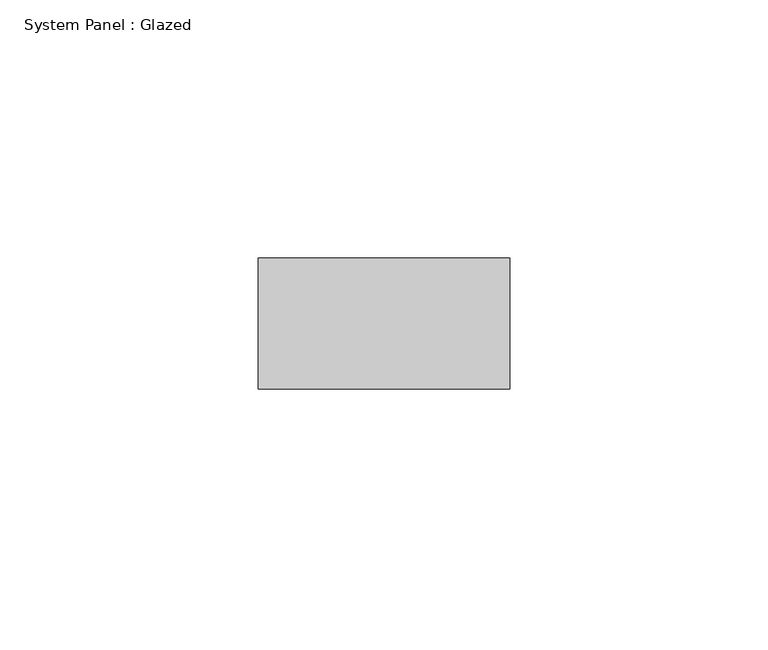
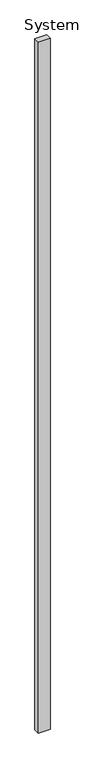
"""IFC4 building model written with IfcOpenShell, lengths in millimetres: plate geometry, System Panel : Glazed."""

from ifc_helpers import new_model, si_unit, origin, origin_with_axes, place, context, project, spatial, polyline, outline, extrude, source, transform, mapped, element, save


def system_panel_glazed_4f62ff47(model_context):
    return source(origin(), model_context, "Body", "SweptSolid", [
        extrude(outline(polyline([(24.3411299, 25.4), (-24.3411299, 25.4), (-24.3411299, 50.8), (24.3411299, 50.8), (24.3411299, 25.4)])), origin_with_axes(), (0.0, 0.0, 1.0), 3048.0),
    ])


if __name__ == "__main__":
    model = new_model("IFC4")
    model_context = context("Model", 3, world=origin())
    ifc_project = project(units=[si_unit("LENGTHUNIT", "METRE", prefix="MILLI")], contexts=[model_context])
    site = spatial("IfcSite", under=ifc_project)
    building = spatial("IfcBuilding", under=site)
    placement = place(None, origin())
    system_panel_glazed_shape = system_panel_glazed_4f62ff47(model_context)
    element("IfcPlate", 1, ObjectType="System Panel : Glazed", at=placement, inside=building, context=model_context, shape_type="MappedRepresentation", body=[
        mapped(system_panel_glazed_shape, transform((0.0, 0.0, 0.0), x_axis=(1.0, 0.0, 0.0), y_axis=(0.0, 1.0, 0.0), z_axis=(0.0, 0.0, 1.0))),
    ])
    save(model, "model.ifc")
